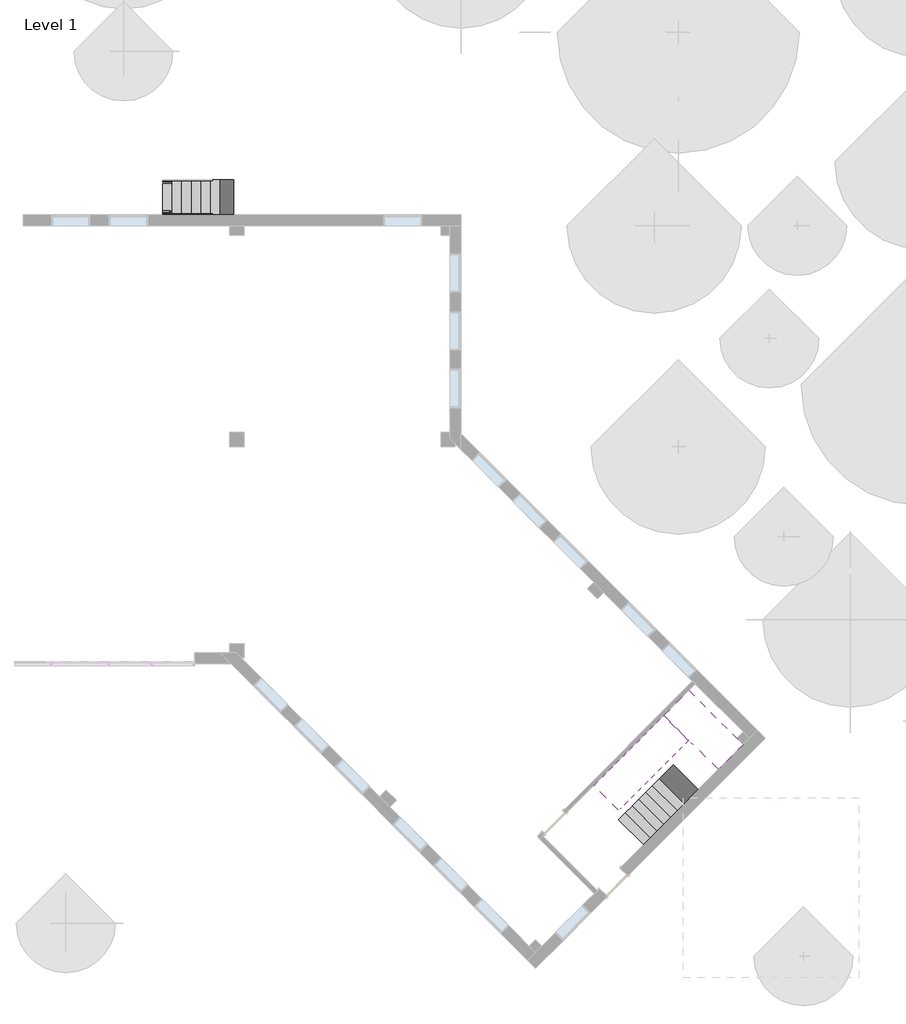
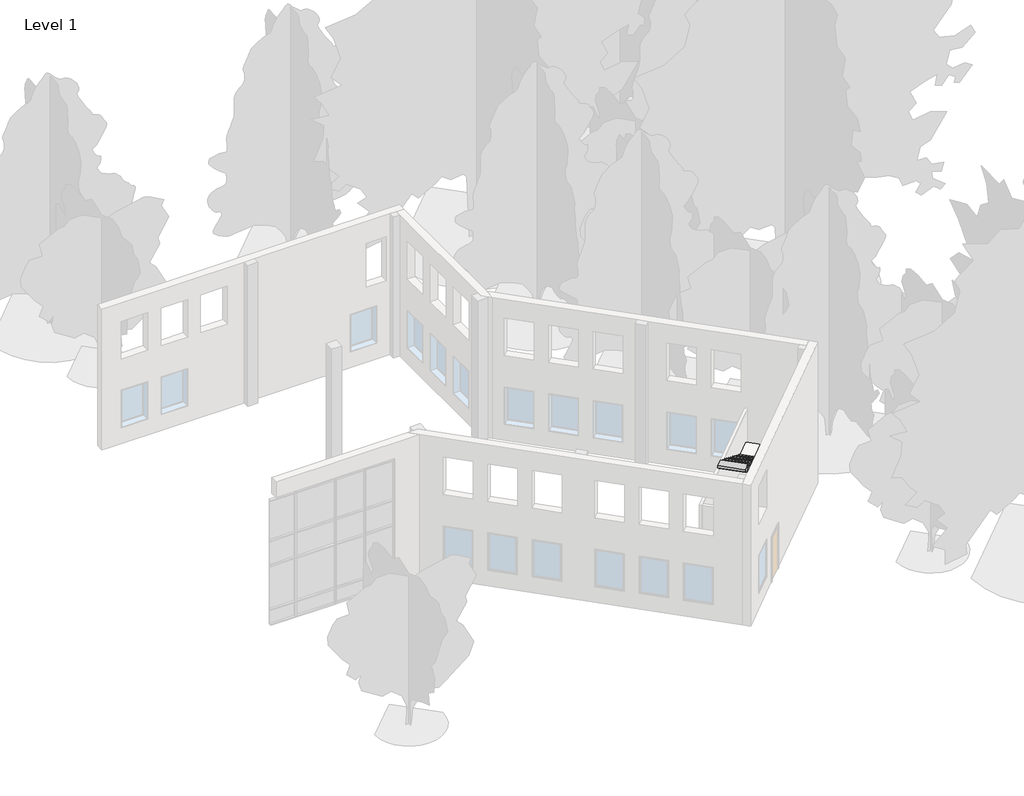
# One storey, part 4 of 5: 3 stair flights, 1 railing, 1 slab.
"""IFC4 building model written with IfcOpenShell, lengths in millimetres."""

from ifc_helpers import new_model, si_unit, frame, origin, place, context, project, spatial, circle_curve, ellipse_curve, faceted_brep, element, save
from ifc_brep_helpers import plane_surface, cylinder_surface, advanced_brep

model = new_model("IFC4")

# Units and contexts
model_context = context("Model", 3, world=origin())
ifc_project = project(units=[si_unit("LENGTHUNIT", "METRE", prefix="MILLI")], contexts=[model_context])

# Site, building, storey
site = spatial("IfcSite", under=ifc_project)
building = spatial("IfcBuilding", under=site)
storey = spatial("IfcBuildingStorey", under=building, Name="Level 1", Elevation=0.0)

# Railing
placement = place(None, origin())
element("IfcRailing", 1, ObjectType="Guardrail - Pipe", at=placement, inside=storey, context=model_context, shape_type="AdvancedBrep", body=[
    advanced_brep(
    [(-8370.1682862, 7606.8165304, 1066.63057), (-8370.1682862, 7644.9165304, 1066.63057), (-1969.3682862, 7606.8165304, 4724.23057), (-1969.3682862, 7644.9165304, 4724.23057)],
    [
        (0, 1, ellipse_curve(frame((-8370.1682862, 7625.8665304, 1066.63057), z_axis=(-1.0, 0.0, 0.0), x_axis=(0.0, 0.0, -0.9999999999999999)), 21.9408586, 19.05)),
        (1, 0, ellipse_curve(frame((-8370.1682862, 7625.8665304, 1066.63057), z_axis=(-1.0, 0.0, 0.0), x_axis=(0.0, 0.0, -0.9999999999999999)), 21.9408586, 19.05)),
        (2, 3, ellipse_curve(frame((-1969.3682862, 7625.8665304, 4724.23057), z_axis=(1.0, 0.0, 0.0), x_axis=(0.0, 0.0, -0.9999999999999999)), 21.9408586, 19.05)),
        (3, 2, ellipse_curve(frame((-1969.3682862, 7625.8665304, 4724.23057), z_axis=(1.0, 0.0, 0.0), x_axis=(0.0, 0.0, -0.9999999999999999)), 21.9408586, 19.05)),
        (0, 2),
        (3, 1),
    ],
    [
        plane_surface(frame((-8370.1682862, 7625.8665304, 1088.5714286), z_axis=(-1.0, 0.0, 0.0), x_axis=(0.0, 1.0, 0.0))),
        plane_surface(frame((-1969.3682862, 7625.8665304, 4746.1714286), z_axis=(1.0, 0.0, 0.0), x_axis=(0.0, 1.0, 0.0))),
        cylinder_surface(frame((-8360.7168394, 7625.8665304, 1072.0313967), z_axis=(-0.8682431421244655, 0.0, -0.49613893835682277), x_axis=(0.0, 1.0, 0.0)), 19.05),
    ],
    [
        (0, [[1, 2]]),
        (1, [[3, 4]]),
        (2, [[-1, 5, -4, 6]]),
        (2, [[-2, -6, -3, -5]]),
    ],
),
    advanced_brep(
    [(-8370.1682862, 7530.6165304, 1219.03057), (-8370.1682862, 7568.7165304, 1219.03057), (-1969.3682862, 7530.6165304, 4876.63057), (-1969.3682862, 7568.7165304, 4876.63057)],
    [
        (0, 1, ellipse_curve(frame((-8370.1682862, 7549.6665304, 1219.03057), z_axis=(-1.0, 0.0, 0.0), x_axis=(0.0, 0.0, -0.9999999999999999)), 21.9408586, 19.05)),
        (1, 0, ellipse_curve(frame((-8370.1682862, 7549.6665304, 1219.03057), z_axis=(-1.0, 0.0, 0.0), x_axis=(0.0, 0.0, -0.9999999999999999)), 21.9408586, 19.05)),
        (2, 3, ellipse_curve(frame((-1969.3682862, 7549.6665304, 4876.63057), z_axis=(1.0, 0.0, 0.0), x_axis=(0.0, 0.0, -0.9999999999999999)), 21.9408586, 19.05)),
        (3, 2, ellipse_curve(frame((-1969.3682862, 7549.6665304, 4876.63057), z_axis=(1.0, 0.0, 0.0), x_axis=(0.0, 0.0, -0.9999999999999999)), 21.9408586, 19.05)),
        (0, 2),
        (3, 1),
    ],
    [
        plane_surface(frame((-8370.1682862, 7549.6665304, 1240.9714286), z_axis=(-1.0, 0.0, 0.0), x_axis=(0.0, 1.0, 0.0))),
        plane_surface(frame((-1969.3682862, 7549.6665304, 4898.5714286), z_axis=(1.0, 0.0, 0.0), x_axis=(0.0, 1.0, 0.0))),
        cylinder_surface(frame((-8360.7168394, 7549.6665304, 1224.4313967), z_axis=(-0.8682431421244655, 0.0, -0.49613893835682277), x_axis=(0.0, 1.0, 0.0)), 19.05),
    ],
    [
        (0, [[1, 2]]),
        (1, [[3, 4]]),
        (2, [[-1, 5, -4, 6]]),
        (2, [[-2, -6, -3, -5]]),
    ],
),
    advanced_brep(
    [(-8370.1682862, 7562.3665304, 1073.9441895), (-8370.1682862, 7536.9665304, 1073.9441895), (-1969.3682862, 7562.3665304, 4731.5441895), (-1969.3682862, 7536.9665304, 4731.5441895)],
    [
        (0, 1, ellipse_curve(frame((-8370.1682862, 7549.6665304, 1073.9441895), z_axis=(-1.0, 0.0, 0.0), x_axis=(0.0, 0.0, -0.9999999999999999)), 14.6272391, 12.7)),
        (1, 0, ellipse_curve(frame((-8370.1682862, 7549.6665304, 1073.9441895), z_axis=(-1.0, 0.0, 0.0), x_axis=(0.0, 0.0, -0.9999999999999999)), 14.6272391, 12.7)),
        (2, 3, ellipse_curve(frame((-1969.3682862, 7549.6665304, 4731.5441895), z_axis=(1.0, 0.0, 0.0), x_axis=(0.0, 0.0, -0.9999999999999999)), 14.6272391, 12.7)),
        (3, 2, ellipse_curve(frame((-1969.3682862, 7549.6665304, 4731.5441895), z_axis=(1.0, 0.0, 0.0), x_axis=(0.0, 0.0, -0.9999999999999999)), 14.6272391, 12.7)),
        (0, 2),
        (3, 1),
    ],
    [
        plane_surface(frame((-8370.1682862, 7549.6665304, 1088.5714286), z_axis=(-1.0, 0.0, 0.0), x_axis=(0.0, 1.0, 0.0))),
        plane_surface(frame((-1969.3682862, 7549.6665304, 4746.1714286), z_axis=(1.0, 0.0, 0.0), x_axis=(0.0, 1.0, 0.0))),
        cylinder_surface(frame((-8363.8673216, 7549.6665304, 1077.5447407), z_axis=(-0.8682431421244655, 0.0, -0.49613893835682277), x_axis=(0.0, -1.0, 0.0)), 12.7),
    ],
    [
        (0, [[1, 2]]),
        (1, [[3, 4]]),
        (2, [[-1, 5, -4, 6]]),
        (2, [[-2, -6, -3, -5]]),
    ],
),
    advanced_brep(
    [(-8370.1682862, 7562.3665304, 946.9441895), (-8370.1682862, 7536.9665304, 946.9441895), (-1969.3682862, 7562.3665304, 4604.5441895), (-1969.3682862, 7536.9665304, 4604.5441895)],
    [
        (0, 1, ellipse_curve(frame((-8370.1682862, 7549.6665304, 946.9441895), z_axis=(-1.0, 0.0, 0.0), x_axis=(0.0, 0.0, -0.9999999999999999)), 14.6272391, 12.7)),
        (1, 0, ellipse_curve(frame((-8370.1682862, 7549.6665304, 946.9441895), z_axis=(-1.0, 0.0, 0.0), x_axis=(0.0, 0.0, -0.9999999999999999)), 14.6272391, 12.7)),
        (2, 3, ellipse_curve(frame((-1969.3682862, 7549.6665304, 4604.5441895), z_axis=(1.0, 0.0, 0.0), x_axis=(0.0, 0.0, -0.9999999999999999)), 14.6272391, 12.7)),
        (3, 2, ellipse_curve(frame((-1969.3682862, 7549.6665304, 4604.5441895), z_axis=(1.0, 0.0, 0.0), x_axis=(0.0, 0.0, -0.9999999999999999)), 14.6272391, 12.7)),
        (0, 2),
        (3, 1),
    ],
    [
        plane_surface(frame((-8370.1682862, 7549.6665304, 961.5714286), z_axis=(-1.0, 0.0, 0.0), x_axis=(0.0, 1.0, 0.0))),
        plane_surface(frame((-1969.3682862, 7549.6665304, 4619.1714286), z_axis=(1.0, 0.0, 0.0), x_axis=(0.0, 1.0, 0.0))),
        cylinder_surface(frame((-8363.8673216, 7549.6665304, 950.5447407), z_axis=(-0.8682431421244655, 0.0, -0.49613893835682277), x_axis=(0.0, -1.0, 0.0)), 12.7),
    ],
    [
        (0, [[1, 2]]),
        (1, [[3, 4]]),
        (2, [[-1, 5, -4, 6]]),
        (2, [[-2, -6, -3, -5]]),
    ],
),
    advanced_brep(
    [(-8370.1682862, 7562.3665304, 819.9441895), (-8370.1682862, 7536.9665304, 819.9441895), (-1969.3682862, 7562.3665304, 4477.5441895), (-1969.3682862, 7536.9665304, 4477.5441895)],
    [
        (0, 1, ellipse_curve(frame((-8370.1682862, 7549.6665304, 819.9441895), z_axis=(-1.0, 0.0, 0.0), x_axis=(0.0, 0.0, -0.9999999999999999)), 14.6272391, 12.7)),
        (1, 0, ellipse_curve(frame((-8370.1682862, 7549.6665304, 819.9441895), z_axis=(-1.0, 0.0, 0.0), x_axis=(0.0, 0.0, -0.9999999999999999)), 14.6272391, 12.7)),
        (2, 3, ellipse_curve(frame((-1969.3682862, 7549.6665304, 4477.5441895), z_axis=(1.0, 0.0, 0.0), x_axis=(0.0, 0.0, -0.9999999999999999)), 14.6272391, 12.7)),
        (3, 2, ellipse_curve(frame((-1969.3682862, 7549.6665304, 4477.5441895), z_axis=(1.0, 0.0, 0.0), x_axis=(0.0, 0.0, -0.9999999999999999)), 14.6272391, 12.7)),
        (0, 2),
        (3, 1),
    ],
    [
        plane_surface(frame((-8370.1682862, 7549.6665304, 834.5714286), z_axis=(-1.0, 0.0, 0.0), x_axis=(0.0, 1.0, 0.0))),
        plane_surface(frame((-1969.3682862, 7549.6665304, 4492.1714286), z_axis=(1.0, 0.0, 0.0), x_axis=(0.0, 1.0, 0.0))),
        cylinder_surface(frame((-8363.8673216, 7549.6665304, 823.5447407), z_axis=(-0.8682431421244655, 0.0, -0.49613893835682277), x_axis=(0.0, -1.0, 0.0)), 12.7),
    ],
    [
        (0, [[1, 2]]),
        (1, [[3, 4]]),
        (2, [[-1, 5, -4, 6]]),
        (2, [[-2, -6, -3, -5]]),
    ],
),
    advanced_brep(
    [(-8370.1682862, 7562.3665304, 692.9441895), (-8370.1682862, 7536.9665304, 692.9441895), (-1969.3682862, 7562.3665304, 4350.5441895), (-1969.3682862, 7536.9665304, 4350.5441895)],
    [
        (0, 1, ellipse_curve(frame((-8370.1682862, 7549.6665304, 692.9441895), z_axis=(-1.0, 0.0, 0.0), x_axis=(0.0, 0.0, -0.9999999999999999)), 14.6272391, 12.7)),
        (1, 0, ellipse_curve(frame((-8370.1682862, 7549.6665304, 692.9441895), z_axis=(-1.0, 0.0, 0.0), x_axis=(0.0, 0.0, -0.9999999999999999)), 14.6272391, 12.7)),
        (2, 3, ellipse_curve(frame((-1969.3682862, 7549.6665304, 4350.5441895), z_axis=(1.0, 0.0, 0.0), x_axis=(0.0, 0.0, -0.9999999999999999)), 14.6272391, 12.7)),
        (3, 2, ellipse_curve(frame((-1969.3682862, 7549.6665304, 4350.5441895), z_axis=(1.0, 0.0, 0.0), x_axis=(0.0, 0.0, -0.9999999999999999)), 14.6272391, 12.7)),
        (0, 2),
        (3, 1),
    ],
    [
        plane_surface(frame((-8370.1682862, 7549.6665304, 707.5714286), z_axis=(-1.0, 0.0, 0.0), x_axis=(0.0, 1.0, 0.0))),
        plane_surface(frame((-1969.3682862, 7549.6665304, 4365.1714286), z_axis=(1.0, 0.0, 0.0), x_axis=(0.0, 1.0, 0.0))),
        cylinder_surface(frame((-8363.8673216, 7549.6665304, 696.5447407), z_axis=(-0.8682431421244655, 0.0, -0.49613893835682277), x_axis=(0.0, -1.0, 0.0)), 12.7),
    ],
    [
        (0, [[1, 2]]),
        (1, [[3, 4]]),
        (2, [[-1, 5, -4, 6]]),
        (2, [[-2, -6, -3, -5]]),
    ],
),
    advanced_brep(
    [(-8370.1682862, 7562.3665304, 565.9441895), (-8370.1682862, 7536.9665304, 565.9441895), (-1969.3682862, 7562.3665304, 4223.5441895), (-1969.3682862, 7536.9665304, 4223.5441895)],
    [
        (0, 1, ellipse_curve(frame((-8370.1682862, 7549.6665304, 565.9441895), z_axis=(-1.0, 0.0, 0.0), x_axis=(0.0, 0.0, -0.9999999999999999)), 14.6272391, 12.7)),
        (1, 0, ellipse_curve(frame((-8370.1682862, 7549.6665304, 565.9441895), z_axis=(-1.0, 0.0, 0.0), x_axis=(0.0, 0.0, -0.9999999999999999)), 14.6272391, 12.7)),
        (2, 3, ellipse_curve(frame((-1969.3682862, 7549.6665304, 4223.5441895), z_axis=(1.0, 0.0, 0.0), x_axis=(0.0, 0.0, -0.9999999999999999)), 14.6272391, 12.7)),
        (3, 2, ellipse_curve(frame((-1969.3682862, 7549.6665304, 4223.5441895), z_axis=(1.0, 0.0, 0.0), x_axis=(0.0, 0.0, -0.9999999999999999)), 14.6272391, 12.7)),
        (0, 2),
        (3, 1),
    ],
    [
        plane_surface(frame((-8370.1682862, 7549.6665304, 580.5714286), z_axis=(-1.0, 0.0, 0.0), x_axis=(0.0, 1.0, 0.0))),
        plane_surface(frame((-1969.3682862, 7549.6665304, 4238.1714286), z_axis=(1.0, 0.0, 0.0), x_axis=(0.0, 1.0, 0.0))),
        cylinder_surface(frame((-8363.8673216, 7549.6665304, 569.5447407), z_axis=(-0.8682431421244655, 0.0, -0.4961389383568229), x_axis=(0.0, -1.0, 0.0)), 12.7),
    ],
    [
        (0, [[1, 2]]),
        (1, [[3, 4]]),
        (2, [[-1, 5, -4, 6]]),
        (2, [[-2, -6, -3, -5]]),
    ],
),
    advanced_brep(
    [(-8370.1682862, 7562.3665304, 438.9441895), (-8370.1682862, 7536.9665304, 438.9441895), (-1969.3682862, 7562.3665304, 4096.5441895), (-1969.3682862, 7536.9665304, 4096.5441895)],
    [
        (0, 1, ellipse_curve(frame((-8370.1682862, 7549.6665304, 438.9441895), z_axis=(-1.0, 0.0, 0.0), x_axis=(0.0, 0.0, -0.9999999999999999)), 14.6272391, 12.7)),
        (1, 0, ellipse_curve(frame((-8370.1682862, 7549.6665304, 438.9441895), z_axis=(-1.0, 0.0, 0.0), x_axis=(0.0, 0.0, -0.9999999999999999)), 14.6272391, 12.7)),
        (2, 3, ellipse_curve(frame((-1969.3682862, 7549.6665304, 4096.5441895), z_axis=(1.0, 0.0, 0.0), x_axis=(0.0, 0.0, -0.9999999999999999)), 14.6272391, 12.7)),
        (3, 2, ellipse_curve(frame((-1969.3682862, 7549.6665304, 4096.5441895), z_axis=(1.0, 0.0, 0.0), x_axis=(0.0, 0.0, -0.9999999999999999)), 14.6272391, 12.7)),
        (0, 2),
        (3, 1),
    ],
    [
        plane_surface(frame((-8370.1682862, 7549.6665304, 453.5714286), z_axis=(-1.0, 0.0, 0.0), x_axis=(0.0, 1.0, 0.0))),
        plane_surface(frame((-1969.3682862, 7549.6665304, 4111.1714286), z_axis=(1.0, 0.0, 0.0), x_axis=(0.0, 1.0, 0.0))),
        cylinder_surface(frame((-8363.8673216, 7549.6665304, 442.5447407), z_axis=(-0.8682431421244655, 0.0, -0.49613893835682277), x_axis=(0.0, -1.0, 0.0)), 12.7),
    ],
    [
        (0, [[1, 2]]),
        (1, [[3, 4]]),
        (2, [[-1, 5, -4, 6]]),
        (2, [[-2, -6, -3, -5]]),
    ],
),
    advanced_brep(
    [(-8370.1682862, 7562.3665304, 311.9441895), (-8370.1682862, 7536.9665304, 311.9441895), (-1969.3682862, 7562.3665304, 3969.5441895), (-1969.3682862, 7536.9665304, 3969.5441895)],
    [
        (0, 1, ellipse_curve(frame((-8370.1682862, 7549.6665304, 311.9441895), z_axis=(-1.0, 0.0, 0.0), x_axis=(0.0, 0.0, -0.9999999999999999)), 14.6272391, 12.7)),
        (1, 0, ellipse_curve(frame((-8370.1682862, 7549.6665304, 311.9441895), z_axis=(-1.0, 0.0, 0.0), x_axis=(0.0, 0.0, -0.9999999999999999)), 14.6272391, 12.7)),
        (2, 3, ellipse_curve(frame((-1969.3682862, 7549.6665304, 3969.5441895), z_axis=(1.0, 0.0, 0.0), x_axis=(0.0, 0.0, -0.9999999999999999)), 14.6272391, 12.7)),
        (3, 2, ellipse_curve(frame((-1969.3682862, 7549.6665304, 3969.5441895), z_axis=(1.0, 0.0, 0.0), x_axis=(0.0, 0.0, -0.9999999999999999)), 14.6272391, 12.7)),
        (0, 2),
        (3, 1),
    ],
    [
        plane_surface(frame((-8370.1682862, 7549.6665304, 326.5714286), z_axis=(-1.0, 0.0, 0.0), x_axis=(0.0, 1.0, 0.0))),
        plane_surface(frame((-1969.3682862, 7549.6665304, 3984.1714286), z_axis=(1.0, 0.0, 0.0), x_axis=(0.0, 1.0, 0.0))),
        cylinder_surface(frame((-8363.8673216, 7549.6665304, 315.5447407), z_axis=(-0.8682431421244655, 0.0, -0.49613893835682277), x_axis=(0.0, -1.0, 0.0)), 12.7),
    ],
    [
        (0, [[1, 2]]),
        (1, [[3, 4]]),
        (2, [[-1, 5, -4, 6]]),
        (2, [[-2, -6, -3, -5]]),
    ],
),
    advanced_brep(
    [(-2274.1682862, 7536.9665304, 4680.5182828), (-2274.1682862, 7536.9665304, 3657.6), (-2274.1682862, 7562.3665304, 3657.6), (-2274.1682862, 7562.3665304, 4680.5182828)],
    [
        (0, 1),
        (1, 2, circle_curve(frame((-2274.1682862, 7549.6665304, 3657.6), z_axis=(0.0, 0.0, 1.0), x_axis=(0.0, 1.0, 0.0)), 12.7)),
        (2, 3),
        (3, 0, ellipse_curve(frame((-2274.1682862, 7549.6665304, 4680.5182828), z_axis=(0.49613893835682027, 0.0, -0.868243142124467), x_axis=(0.868243142124467, 0.0, 0.49613893835682005)), 14.6272391, 12.7)),
        (0, 3, ellipse_curve(frame((-2274.1682862, 7549.6665304, 4680.5182828), z_axis=(0.49613893835682027, 0.0, -0.868243142124467), x_axis=(0.868243142124467, 0.0, 0.49613893835682005)), 14.6272391, 12.7)),
        (2, 1, circle_curve(frame((-2274.1682862, 7549.6665304, 3657.6), z_axis=(0.0, 0.0, 1.0), x_axis=(0.0, 1.0, 0.0)), 12.7)),
    ],
    [
        cylinder_surface(frame((-2274.1682862, 7549.6665304, 3429.0), z_axis=(0.0, 0.0, 1.0), x_axis=(0.0, 1.0, 0.0)), 12.7),
        plane_surface(frame((-2248.7682862, 7575.0665304, 4695.0325685), z_axis=(-0.49613893835682027, 0.0, 0.868243142124467), x_axis=(0.0, -1.0, 0.0))),
        plane_surface(frame((-2299.5682862, 7575.0665304, 3657.6), z_axis=(0.0, 0.0, -1.0), x_axis=(0.0, -1.0, 0.0))),
    ],
    [
        (0, [[1, 2, 3, 4]]),
        (0, [[-1, 5, -3, 6]]),
        (1, [[-4, -5]]),
        (2, [[-2, -6]]),
    ],
),
    advanced_brep(
    [(-3493.3682862, 7536.9665304, 3983.8325685), (-3493.3682862, 7536.9665304, 2960.9142857), (-3493.3682862, 7562.3665304, 2960.9142857), (-3493.3682862, 7562.3665304, 3983.8325685)],
    [
        (0, 1),
        (1, 2, circle_curve(frame((-3493.3682862, 7549.6665304, 2960.9142857), z_axis=(0.0, 0.0, 1.0), x_axis=(0.0, 1.0, 0.0)), 12.7)),
        (2, 3),
        (3, 0, ellipse_curve(frame((-3493.3682862, 7549.6665304, 3983.8325685), z_axis=(0.49613893835682027, 0.0, -0.868243142124467), x_axis=(0.868243142124467, 0.0, 0.49613893835682005)), 14.6272391, 12.7)),
        (0, 3, ellipse_curve(frame((-3493.3682862, 7549.6665304, 3983.8325685), z_axis=(0.49613893835682027, 0.0, -0.868243142124467), x_axis=(0.868243142124467, 0.0, 0.49613893835682005)), 14.6272391, 12.7)),
        (2, 1, circle_curve(frame((-3493.3682862, 7549.6665304, 2960.9142857), z_axis=(0.0, 0.0, 1.0), x_axis=(0.0, 1.0, 0.0)), 12.7)),
    ],
    [
        cylinder_surface(frame((-3493.3682862, 7549.6665304, 2732.3142857), z_axis=(0.0, 0.0, 1.0), x_axis=(0.0, 1.0, 0.0)), 12.7),
        plane_surface(frame((-3467.9682862, 7575.0665304, 3998.3468543), z_axis=(-0.49613893835682027, 0.0, 0.868243142124467), x_axis=(0.0, -1.0, 0.0))),
        plane_surface(frame((-3518.7682862, 7575.0665304, 2960.9142857), z_axis=(0.0, 0.0, -1.0), x_axis=(0.0, -1.0, 0.0))),
    ],
    [
        (0, [[1, 2, 3, 4]]),
        (0, [[-1, 5, -3, 6]]),
        (1, [[-4, -5]]),
        (2, [[-2, -6]]),
    ],
),
    advanced_brep(
    [(-4712.5682862, 7536.9665304, 3287.1468543), (-4712.5682862, 7536.9665304, 2264.2285714), (-4712.5682862, 7562.3665304, 2264.2285714), (-4712.5682862, 7562.3665304, 3287.1468543)],
    [
        (0, 1),
        (1, 2, circle_curve(frame((-4712.5682862, 7549.6665304, 2264.2285714), z_axis=(0.0, 0.0, 1.0), x_axis=(0.0, 1.0, 0.0)), 12.7)),
        (2, 3),
        (3, 0, ellipse_curve(frame((-4712.5682862, 7549.6665304, 3287.1468543), z_axis=(0.49613893835682027, 0.0, -0.868243142124467), x_axis=(0.868243142124467, 0.0, 0.49613893835682005)), 14.6272391, 12.7)),
        (0, 3, ellipse_curve(frame((-4712.5682862, 7549.6665304, 3287.1468543), z_axis=(0.49613893835682027, 0.0, -0.868243142124467), x_axis=(0.868243142124467, 0.0, 0.49613893835682005)), 14.6272391, 12.7)),
        (2, 1, circle_curve(frame((-4712.5682862, 7549.6665304, 2264.2285714), z_axis=(0.0, 0.0, 1.0), x_axis=(0.0, 1.0, 0.0)), 12.7)),
    ],
    [
        cylinder_surface(frame((-4712.5682862, 7549.6665304, 2035.6285714), z_axis=(0.0, 0.0, 1.0), x_axis=(0.0, 1.0, 0.0)), 12.7),
        plane_surface(frame((-4687.1682862, 7575.0665304, 3301.66114), z_axis=(-0.49613893835682027, 0.0, 0.868243142124467), x_axis=(0.0, -1.0, 0.0))),
        plane_surface(frame((-4737.9682862, 7575.0665304, 2264.2285714), z_axis=(0.0, 0.0, -1.0), x_axis=(0.0, -1.0, 0.0))),
    ],
    [
        (0, [[1, 2, 3, 4]]),
        (0, [[-1, 5, -3, 6]]),
        (1, [[-4, -5]]),
        (2, [[-2, -6]]),
    ],
),
    advanced_brep(
    [(-5931.7682862, 7536.9665304, 2590.46114), (-5931.7682862, 7536.9665304, 1567.5428571), (-5931.7682862, 7562.3665304, 1567.5428571), (-5931.7682862, 7562.3665304, 2590.46114)],
    [
        (0, 1),
        (1, 2, circle_curve(frame((-5931.7682862, 7549.6665304, 1567.5428571), z_axis=(0.0, 0.0, 1.0), x_axis=(0.0, 1.0, 0.0)), 12.7)),
        (2, 3),
        (3, 0, ellipse_curve(frame((-5931.7682862, 7549.6665304, 2590.46114), z_axis=(0.49613893835682027, 0.0, -0.868243142124467), x_axis=(0.868243142124467, 0.0, 0.49613893835682005)), 14.6272391, 12.7)),
        (0, 3, ellipse_curve(frame((-5931.7682862, 7549.6665304, 2590.46114), z_axis=(0.49613893835682027, 0.0, -0.868243142124467), x_axis=(0.868243142124467, 0.0, 0.49613893835682005)), 14.6272391, 12.7)),
        (2, 1, circle_curve(frame((-5931.7682862, 7549.6665304, 1567.5428571), z_axis=(0.0, 0.0, 1.0), x_axis=(0.0, 1.0, 0.0)), 12.7)),
    ],
    [
        cylinder_surface(frame((-5931.7682862, 7549.6665304, 1338.9428571), z_axis=(0.0, 0.0, 1.0), x_axis=(0.0, 1.0, 0.0)), 12.7),
        plane_surface(frame((-5906.3682862, 7575.0665304, 2604.9754257), z_axis=(-0.49613893835682027, 0.0, 0.868243142124467), x_axis=(0.0, -1.0, 0.0))),
        plane_surface(frame((-5957.1682862, 7575.0665304, 1567.5428571), z_axis=(0.0, 0.0, -1.0), x_axis=(0.0, -1.0, 0.0))),
    ],
    [
        (0, [[1, 2, 3, 4]]),
        (0, [[-1, 5, -3, 6]]),
        (1, [[-4, -5]]),
        (2, [[-2, -6]]),
    ],
),
    advanced_brep(
    [(-7150.9682862, 7536.9665304, 1893.7754257), (-7150.9682862, 7536.9665304, 870.8571429), (-7150.9682862, 7562.3665304, 870.8571429), (-7150.9682862, 7562.3665304, 1893.7754257)],
    [
        (0, 1),
        (1, 2, circle_curve(frame((-7150.9682862, 7549.6665304, 870.8571429), z_axis=(0.0, 0.0, 1.0), x_axis=(0.0, 1.0, 0.0)), 12.7)),
        (2, 3),
        (3, 0, ellipse_curve(frame((-7150.9682862, 7549.6665304, 1893.7754257), z_axis=(0.49613893835682027, 0.0, -0.868243142124467), x_axis=(0.868243142124467, 0.0, 0.49613893835682005)), 14.6272391, 12.7)),
        (0, 3, ellipse_curve(frame((-7150.9682862, 7549.6665304, 1893.7754257), z_axis=(0.49613893835682027, 0.0, -0.868243142124467), x_axis=(0.868243142124467, 0.0, 0.49613893835682005)), 14.6272391, 12.7)),
        (2, 1, circle_curve(frame((-7150.9682862, 7549.6665304, 870.8571429), z_axis=(0.0, 0.0, 1.0), x_axis=(0.0, 1.0, 0.0)), 12.7)),
    ],
    [
        cylinder_surface(frame((-7150.9682862, 7549.6665304, 642.2571429), z_axis=(0.0, 0.0, 1.0), x_axis=(0.0, 1.0, 0.0)), 12.7),
        plane_surface(frame((-7125.5682862, 7575.0665304, 1908.2897114), z_axis=(-0.49613893835682027, 0.0, 0.868243142124467), x_axis=(0.0, -1.0, 0.0))),
        plane_surface(frame((-7176.3682862, 7575.0665304, 870.8571429), z_axis=(0.0, 0.0, -1.0), x_axis=(0.0, -1.0, 0.0))),
    ],
    [
        (0, [[1, 2, 3, 4]]),
        (0, [[-1, 5, -3, 6]]),
        (1, [[-4, -5]]),
        (2, [[-2, -6]]),
    ],
),
    advanced_brep(
    [(-1982.0682862, 7536.9665304, 4847.4325685), (-1982.0682862, 7536.9665304, 3657.6), (-1982.0682862, 7562.3665304, 3657.6), (-1982.0682862, 7562.3665304, 4847.4325685)],
    [
        (0, 1),
        (1, 2, circle_curve(frame((-1982.0682862, 7549.6665304, 3657.6), z_axis=(0.0, 0.0, 1.0), x_axis=(0.0, 1.0, 0.0)), 12.7)),
        (2, 3),
        (3, 0, ellipse_curve(frame((-1982.0682862, 7549.6665304, 4847.4325685), z_axis=(0.496138938356822, 0.0, -0.868243142124466), x_axis=(0.8682431421244661, 0.0, 0.496138938356822)), 14.6272391, 12.7)),
        (0, 3, ellipse_curve(frame((-1982.0682862, 7549.6665304, 4847.4325685), z_axis=(0.496138938356822, 0.0, -0.868243142124466), x_axis=(0.8682431421244661, 0.0, 0.496138938356822)), 14.6272391, 12.7)),
        (2, 1, circle_curve(frame((-1982.0682862, 7549.6665304, 3657.6), z_axis=(0.0, 0.0, 1.0), x_axis=(0.0, 1.0, 0.0)), 12.7)),
    ],
    [
        cylinder_surface(frame((-1982.0682862, 7549.6665304, 3429.0), z_axis=(0.0, 0.0, 1.0), x_axis=(0.0, 1.0, 0.0)), 12.7),
        plane_surface(frame((-1956.6682862, 7575.0665304, 4861.9468543), z_axis=(-0.496138938356822, 0.0, 0.868243142124466), x_axis=(0.0, -1.0, 0.0))),
        plane_surface(frame((-2007.4682862, 7575.0665304, 3657.6), z_axis=(0.0, 0.0, -1.0), x_axis=(0.0, -1.0, 0.0))),
    ],
    [
        (0, [[1, 2, 3, 4]]),
        (0, [[-1, 5, -3, 6]]),
        (1, [[-4, -5]]),
        (2, [[-2, -6]]),
    ],
),
    advanced_brep(
    [(-8357.4682862, 7536.9665304, 1204.3468543), (-8357.4682862, 7536.9665304, 174.1714286), (-8357.4682862, 7562.3665304, 174.1714286), (-8357.4682862, 7562.3665304, 1204.3468543)],
    [
        (0, 1),
        (1, 2, circle_curve(frame((-8357.4682862, 7549.6665304, 174.1714286), z_axis=(0.0, 0.0, 1.0), x_axis=(0.0, 1.0, 0.0)), 12.7)),
        (2, 3),
        (3, 0, ellipse_curve(frame((-8357.4682862, 7549.6665304, 1204.3468543), z_axis=(0.49613893835682027, 0.0, -0.868243142124467), x_axis=(0.868243142124467, 0.0, 0.49613893835682005)), 14.6272391, 12.7)),
        (0, 3, ellipse_curve(frame((-8357.4682862, 7549.6665304, 1204.3468543), z_axis=(0.49613893835682027, 0.0, -0.868243142124467), x_axis=(0.868243142124467, 0.0, 0.49613893835682005)), 14.6272391, 12.7)),
        (2, 1, circle_curve(frame((-8357.4682862, 7549.6665304, 174.1714286), z_axis=(0.0, 0.0, 1.0), x_axis=(0.0, 1.0, 0.0)), 12.7)),
    ],
    [
        cylinder_surface(frame((-8357.4682862, 7549.6665304, -54.4285714), z_axis=(0.0, 0.0, 1.0), x_axis=(0.0, 1.0, 0.0)), 12.7),
        plane_surface(frame((-8332.0682862, 7575.0665304, 1218.86114), z_axis=(-0.49613893835682027, 0.0, 0.868243142124467), x_axis=(0.0, -1.0, 0.0))),
        plane_surface(frame((-8382.8682862, 7575.0665304, 174.1714286), z_axis=(0.0, 0.0, -1.0), x_axis=(0.0, -1.0, 0.0))),
    ],
    [
        (0, [[1, 2, 3, 4]]),
        (0, [[-1, 5, -3, 6]]),
        (1, [[-4, -5]]),
        (2, [[-2, -6]]),
    ],
),
])

# Slab
element("IfcSlab", 2, ObjectType="8\" Thickness", at=placement, inside=storey, context=model_context, shape_type="Brep", body=[
    faceted_brep([(10052.9263481, -9286.9548242, 1915.8857143), (8328.7171729, -7562.7456489, 1915.8857143), (7538.4546342, -8353.0081876, 1915.8857143), (7524.98425, -8366.4785718, 1915.8857143), (8315.2467887, -9156.7411104, 1915.8857143), (8328.7171729, -9143.2707262, 1915.8857143), (8471.2787388, -9285.8322922, 1915.8857143), (8549.8559798, -9207.2550511, 1915.8857143), (9341.2410505, -9998.6401218, 1915.8857143), (8328.7171729, -7562.7456489, 1712.6857143), (7538.4546342, -8353.0081876, 1712.6857143), (7524.98425, -8366.4785718, 1712.6857143), (8315.2467887, -9156.7411104, 1712.6857143), (8328.7171729, -9143.2707262, 1712.6857143), (8471.2787388, -9285.8322922, 1712.6857143), (10052.9263481, -9286.9548242, 1712.6857143), (9341.2410505, -9998.6401218, 1804.7607143), (9269.3990015, -10070.4821707, 1804.7607143), (9269.3990015, -10070.4821707, 1712.6857143), (8478.0139309, -9279.0971001, 1712.6857143), (8549.8559798, -9207.2550511, 1804.7607143), (8478.0139309, -9279.0971001, 1804.7607143)], [[[0, 1, 2, 3, 4, 5, 6, 7, 8]], [[2, 1, 9, 10]], [[4, 3, 11, 12]], [[3, 2, 10, 11]], [[5, 13, 14, 6]], [[15, 0, 8, 16, 17, 18]], [[9, 15, 18, 19, 14, 13, 12, 11, 10]], [[1, 0, 15, 9]], [[5, 4, 12, 13]], [[20, 21, 17, 16]], [[7, 20, 16, 8]], [[20, 7, 6, 14, 19, 21]], [[17, 21, 19, 18]]]),
])

# Stair flights
element("IfcStairFlight", 3, ObjectType="3/4\" Nosing", at=placement, inside=storey, context=model_context, shape_type="Brep", body=[
    faceted_brep([(-8370.1682862, 7524.2665304, 174.1714286), (-8370.1682862, 8641.8665304, 174.1714286), (-8351.1182862, 8641.8665304, 0.0), (-8351.1182862, 7524.2665304, 0.0), (-8046.3182862, 7524.2665304, 174.1714286), (-8046.3182862, 8641.8665304, 174.1714286), (-8046.3182862, 8641.8665304, 101.0352333), (-8223.1299444, 8641.8665304, 0.0), (-8223.1299444, 7524.2665304, 0.0), (-8046.3182862, 7524.2665304, 101.0352333), (-8065.3682862, 8641.8665304, 348.3428571), (-8065.3682862, 7524.2665304, 348.3428571), (-7741.5182862, 7524.2665304, 348.3428571), (-7741.5182862, 8641.8665304, 348.3428571), (-7741.5182862, 8641.8665304, 275.2066619), (-7741.5182862, 7524.2665304, 275.2066619), (-7760.5682862, 8641.8665304, 522.5142857), (-7760.5682862, 7524.2665304, 522.5142857), (-7436.7182862, 7524.2665304, 522.5142857), (-7436.7182862, 8641.8665304, 522.5142857), (-7436.7182862, 8641.8665304, 449.3780904), (-7436.7182862, 7524.2665304, 449.3780904), (-7455.7682862, 8641.8665304, 696.6857143), (-7455.7682862, 7524.2665304, 696.6857143), (-7131.9182862, 7524.2665304, 696.6857143), (-7131.9182862, 8641.8665304, 696.6857143), (-7131.9182862, 8641.8665304, 623.549519), (-7131.9182862, 7524.2665304, 623.549519), (-7150.9682862, 8641.8665304, 870.8571429), (-7150.9682862, 7524.2665304, 870.8571429), (-6827.1182862, 7524.2665304, 870.8571429), (-6827.1182862, 8641.8665304, 870.8571429), (-6827.1182862, 8641.8665304, 797.7209476), (-6827.1182862, 7524.2665304, 797.7209476), (-6846.1682862, 8641.8665304, 1045.0285714), (-6846.1682862, 7524.2665304, 1045.0285714), (-6522.3182862, 7524.2665304, 1045.0285714), (-6522.3182862, 8641.8665304, 1045.0285714), (-6522.3182862, 8641.8665304, 971.8923761), (-6522.3182862, 7524.2665304, 971.8923761), (-6541.3682862, 8641.8665304, 1219.2), (-6541.3682862, 7524.2665304, 1219.2), (-6217.5182862, 7524.2665304, 1219.2), (-6217.5182862, 8641.8665304, 1219.2), (-6217.5182862, 8641.8665304, 1146.0638047), (-6217.5182862, 7524.2665304, 1146.0638047), (-6236.5682862, 8641.8665304, 1393.3714286), (-6236.5682862, 7524.2665304, 1393.3714286), (-5912.7182862, 7524.2665304, 1393.3714286), (-5912.7182862, 8641.8665304, 1393.3714286), (-5912.7182862, 8641.8665304, 1320.2352333), (-5912.7182862, 7524.2665304, 1320.2352333), (-5931.7682862, 8641.8665304, 1567.5428571), (-5931.7682862, 7524.2665304, 1567.5428571), (-5607.9182862, 7524.2665304, 1567.5428571), (-5607.9182862, 8641.8665304, 1567.5428571), (-5607.9182862, 8641.8665304, 1494.4066619), (-5607.9182862, 7524.2665304, 1494.4066619), (-5626.9682862, 8641.8665304, 1741.7142857), (-5626.9682862, 7524.2665304, 1741.7142857), (-5303.1182862, 7524.2665304, 1741.7142857), (-5303.1182862, 8641.8665304, 1741.7142857), (-5303.1182862, 8641.8665304, 1668.5780904), (-5303.1182862, 7524.2665304, 1668.5780904), (-5322.1682862, 8641.8665304, 1915.8857143), (-5322.1682862, 7524.2665304, 1915.8857143), (-4998.3182862, 7524.2665304, 1915.8857143), (-4998.3182862, 8641.8665304, 1915.8857143), (-4998.3182862, 8641.8665304, 1842.749519), (-4998.3182862, 7524.2665304, 1842.749519), (-5017.3682862, 8641.8665304, 2090.0571429), (-5017.3682862, 7524.2665304, 2090.0571429), (-4693.5182862, 7524.2665304, 2090.0571429), (-4693.5182862, 8641.8665304, 2090.0571429), (-4693.5182862, 8641.8665304, 2016.9209476), (-4693.5182862, 7524.2665304, 2016.9209476), (-4712.5682862, 8641.8665304, 2264.2285714), (-4712.5682862, 7524.2665304, 2264.2285714), (-4388.7182862, 7524.2665304, 2264.2285714), (-4388.7182862, 8641.8665304, 2264.2285714), (-4388.7182862, 8641.8665304, 2191.0923761), (-4388.7182862, 7524.2665304, 2191.0923761), (-4407.7682862, 8641.8665304, 2438.4), (-4407.7682862, 7524.2665304, 2438.4), (-4083.9182862, 7524.2665304, 2438.4), (-4083.9182862, 8641.8665304, 2438.4), (-4083.9182862, 8641.8665304, 2365.2638047), (-4083.9182862, 7524.2665304, 2365.2638047), (-4102.9682862, 8641.8665304, 2612.5714286), (-4102.9682862, 7524.2665304, 2612.5714286), (-3779.1182862, 7524.2665304, 2612.5714286), (-3779.1182862, 8641.8665304, 2612.5714286), (-3779.1182862, 8641.8665304, 2539.4352333), (-3779.1182862, 7524.2665304, 2539.4352333), (-3798.1682862, 8641.8665304, 2786.7428571), (-3798.1682862, 7524.2665304, 2786.7428571), (-3474.3182862, 7524.2665304, 2786.7428571), (-3474.3182862, 8641.8665304, 2786.7428571), (-3474.3182862, 8641.8665304, 2713.6066619), (-3474.3182862, 7524.2665304, 2713.6066619), (-3493.3682862, 8641.8665304, 2960.9142857), (-3493.3682862, 7524.2665304, 2960.9142857), (-3169.5182862, 7524.2665304, 2960.9142857), (-3169.5182862, 8641.8665304, 2960.9142857), (-3169.5182862, 8641.8665304, 2887.7780904), (-3169.5182862, 7524.2665304, 2887.7780904), (-3188.5682862, 8641.8665304, 3135.0857143), (-3188.5682862, 7524.2665304, 3135.0857143), (-2864.7182862, 7524.2665304, 3135.0857143), (-2864.7182862, 8641.8665304, 3135.0857143), (-2864.7182862, 8641.8665304, 3061.949519), (-2864.7182862, 7524.2665304, 3061.949519), (-2883.7682862, 8641.8665304, 3309.2571429), (-2883.7682862, 7524.2665304, 3309.2571429), (-2559.9182862, 7524.2665304, 3309.2571429), (-2559.9182862, 8641.8665304, 3309.2571429), (-2559.9182862, 8641.8665304, 3236.1209476), (-2559.9182862, 7524.2665304, 3236.1209476), (-2578.9682862, 8641.8665304, 3483.4285714), (-2578.9682862, 7524.2665304, 3483.4285714), (-2255.1182862, 7524.2665304, 3483.4285714), (-2255.1182862, 8641.8665304, 3483.4285714), (-2255.1182862, 8641.8665304, 3410.2923761), (-2255.1182862, 7524.2665304, 3410.2923761), (-2274.1682862, 8641.8665304, 3657.6), (-2274.1682862, 7524.2665304, 3657.6), (-1969.3682862, 7524.2665304, 3657.6), (-1969.3682862, 8641.8665304, 3657.6), (-1969.3682862, 8641.8665304, 3573.5780904), (-1969.3682862, 7524.2665304, 3573.5780904)], [[[0, 1, 2, 3]], [[1, 0, 4, 5]], [[1, 5, 6, 7, 2]], [[4, 0, 3, 8, 9]], [[10, 11, 12, 13]], [[10, 13, 14, 6, 5]], [[12, 11, 4, 9, 15]], [[5, 4, 11, 10]], [[16, 17, 18, 19]], [[16, 19, 20, 14, 13]], [[18, 17, 12, 15, 21]], [[13, 12, 17, 16]], [[22, 23, 24, 25]], [[22, 25, 26, 20, 19]], [[24, 23, 18, 21, 27]], [[19, 18, 23, 22]], [[28, 29, 30, 31]], [[28, 31, 32, 26, 25]], [[30, 29, 24, 27, 33]], [[25, 24, 29, 28]], [[34, 35, 36, 37]], [[34, 37, 38, 32, 31]], [[36, 35, 30, 33, 39]], [[31, 30, 35, 34]], [[40, 41, 42, 43]], [[40, 43, 44, 38, 37]], [[42, 41, 36, 39, 45]], [[37, 36, 41, 40]], [[46, 47, 48, 49]], [[46, 49, 50, 44, 43]], [[48, 47, 42, 45, 51]], [[43, 42, 47, 46]], [[52, 53, 54, 55]], [[52, 55, 56, 50, 49]], [[54, 53, 48, 51, 57]], [[49, 48, 53, 52]], [[58, 59, 60, 61]], [[58, 61, 62, 56, 55]], [[60, 59, 54, 57, 63]], [[55, 54, 59, 58]], [[64, 65, 66, 67]], [[64, 67, 68, 62, 61]], [[66, 65, 60, 63, 69]], [[61, 60, 65, 64]], [[70, 71, 72, 73]], [[70, 73, 74, 68, 67]], [[72, 71, 66, 69, 75]], [[67, 66, 71, 70]], [[76, 77, 78, 79]], [[76, 79, 80, 74, 73]], [[78, 77, 72, 75, 81]], [[73, 72, 77, 76]], [[82, 83, 84, 85]], [[82, 85, 86, 80, 79]], [[84, 83, 78, 81, 87]], [[79, 78, 83, 82]], [[88, 89, 90, 91]], [[88, 91, 92, 86, 85]], [[90, 89, 84, 87, 93]], [[85, 84, 89, 88]], [[94, 95, 96, 97]], [[94, 97, 98, 92, 91]], [[96, 95, 90, 93, 99]], [[91, 90, 95, 94]], [[100, 101, 102, 103]], [[100, 103, 104, 98, 97]], [[102, 101, 96, 99, 105]], [[97, 96, 101, 100]], [[106, 107, 108, 109]], [[106, 109, 110, 104, 103]], [[108, 107, 102, 105, 111]], [[103, 102, 107, 106]], [[112, 113, 114, 115]], [[112, 115, 116, 110, 109]], [[114, 113, 108, 111, 117]], [[109, 108, 113, 112]], [[118, 119, 120, 121]], [[118, 121, 122, 116, 115]], [[120, 119, 114, 117, 123]], [[115, 114, 119, 118]], [[124, 125, 126, 127]], [[124, 127, 128, 122, 121]], [[126, 125, 120, 123, 129]], [[127, 126, 129, 128]], [[121, 120, 125, 124]], [[3, 2, 7, 8]], [[8, 7, 6, 14, 20, 26, 32, 38, 44, 50, 56, 62, 68, 74, 80, 86, 92, 98, 104, 110, 116, 122, 128, 129, 123, 117, 111, 105, 99, 93, 87, 81, 75, 69, 63, 57, 51, 45, 39, 33, 27, 21, 15, 9]]]),
])
element("IfcStairFlight", 4, ObjectType="3/4\" Nosing 6 1/2\" Depth", at=placement, inside=storey, context=model_context, shape_type="Brep", body=[
    faceted_brep([(7538.4546342, -8353.0081876, 2090.0571429), (8328.7171729, -9143.2707262, 2090.0571429), (8315.2467887, -9156.7411104, 1915.8857143), (7524.98425, -8366.4785718, 1915.8857143), (7309.4581031, -8582.0047187, 2090.0571429), (8099.7206418, -9372.2672573, 2090.0571429), (8099.7206418, -9372.2672573, 1899.9030351), (8315.2467887, -9156.7411104, 1725.7316065), (7524.98425, -8366.4785718, 1725.7316065), (7309.4581031, -8582.0047187, 1899.9030351), (8113.191026, -9358.7968732, 2264.2285714), (7322.9284873, -8568.5343345, 2264.2285714), (7093.9319562, -8797.5308656, 2264.2285714), (7884.1944949, -9587.7934042, 2264.2285714), (7884.1944949, -9587.7934042, 2074.0744637), (7093.9319562, -8797.5308656, 2074.0744637), (7897.6648791, -9574.3230201, 2438.4), (7107.4023404, -8784.0604814, 2438.4), (6878.4058093, -9013.0570125, 2438.4), (7668.668348, -9803.3195511, 2438.4), (7668.668348, -9803.3195511, 2248.2458923), (6878.4058093, -9013.0570125, 2248.2458923), (7682.1387322, -9789.849167, 2612.5714286), (6891.8761935, -8999.5866283, 2612.5714286), (6662.8796624, -9228.5831594, 2612.5714286), (7453.1422011, -10018.8456981, 2612.5714286), (7453.1422011, -10018.8456981, 2422.4173208), (6662.8796624, -9228.5831594, 2422.4173208), (7466.6125852, -10005.3753139, 2786.7428571), (6676.3500466, -9215.1127752, 2786.7428571), (6447.3535155, -9444.1093063, 2786.7428571), (7237.6160542, -10234.371845, 2786.7428571), (7237.6160542, -10234.371845, 2596.5887494), (6447.3535155, -9444.1093063, 2596.5887494), (7251.0864383, -10220.9014608, 2960.9142857), (6460.8238997, -9430.6389221, 2960.9142857), (6231.8273686, -9659.6354532, 2960.9142857), (7022.0899073, -10449.8979919, 2960.9142857), (7022.0899073, -10449.8979919, 2770.760178), (6231.8273686, -9659.6354532, 2770.760178), (7035.5602914, -10436.4276077, 3135.0857143), (6245.2977528, -9646.165069, 3135.0857143), (6016.3012217, -9875.1616001, 3135.0857143), (6806.5637603, -10665.4241388, 3135.0857143), (6806.5637603, -10665.4241388, 2944.9316065), (6016.3012217, -9875.1616001, 2944.9316065), (6820.0341445, -10651.9537546, 3309.2571429), (6029.7716059, -9861.6912159, 3309.2571429), (5800.7750748, -10090.687747, 3309.2571429), (6591.0376134, -10880.9502857, 3309.2571429), (6591.0376134, -10880.9502857, 3119.1030351), (5800.7750748, -10090.687747, 3119.1030351), (6604.5079976, -10867.4799015, 3483.4285714), (5814.245459, -10077.2173628, 3483.4285714), (5585.2489279, -10306.2138939, 3483.4285714), (6375.5114665, -11096.4764326, 3483.4285714), (6375.5114665, -11096.4764326, 3293.2744637), (5585.2489279, -10306.2138939, 3293.2744637), (6388.9818507, -11083.0060484, 3657.6), (5598.7193121, -10292.7435097, 3657.6), (5311.3511162, -10580.1117056, 3657.6), (6101.6136548, -11370.3742443, 3657.6), (6101.6136548, -11370.3742443, 3556.0), (6173.4557038, -11298.5321953, 3556.0), (6173.4557038, -11298.5321953, 3456.560178), (5383.1931652, -10508.2696567, 3456.560178), (5383.1931652, -10508.2696567, 3556.0), (5311.3511162, -10580.1117056, 3556.0)], [[[0, 1, 2, 3]], [[1, 0, 4, 5]], [[1, 5, 6, 7, 2]], [[3, 2, 7, 8]], [[4, 0, 3, 8, 9]], [[10, 11, 12, 13]], [[10, 13, 14, 6, 5]], [[12, 11, 4, 9, 15]], [[11, 10, 5, 4]], [[16, 17, 18, 19]], [[16, 19, 20, 14, 13]], [[18, 17, 12, 15, 21]], [[17, 16, 13, 12]], [[22, 23, 24, 25]], [[22, 25, 26, 20, 19]], [[24, 23, 18, 21, 27]], [[23, 22, 19, 18]], [[28, 29, 30, 31]], [[28, 31, 32, 26, 25]], [[30, 29, 24, 27, 33]], [[29, 28, 25, 24]], [[34, 35, 36, 37]], [[34, 37, 38, 32, 31]], [[36, 35, 30, 33, 39]], [[35, 34, 31, 30]], [[40, 41, 42, 43]], [[40, 43, 44, 38, 37]], [[42, 41, 36, 39, 45]], [[41, 40, 37, 36]], [[46, 47, 48, 49]], [[46, 49, 50, 44, 43]], [[48, 47, 42, 45, 51]], [[47, 46, 43, 42]], [[52, 53, 54, 55]], [[52, 55, 56, 50, 49]], [[54, 53, 48, 51, 57]], [[53, 52, 49, 48]], [[58, 59, 60, 61]], [[58, 61, 62, 63, 64, 56, 55]], [[60, 59, 54, 57, 65, 66, 67]], [[65, 64, 63, 66]], [[59, 58, 55, 54]], [[67, 66, 63, 62]], [[67, 62, 61, 60]], [[7, 6, 14, 20, 26, 32, 38, 44, 50, 56, 64, 65, 57, 51, 45, 39, 33, 27, 21, 15, 9, 8]]]),
])
element("IfcStairFlight", 5, ObjectType="3/4\" Nosing 6 1/2\" Depth", at=placement, inside=storey, context=model_context, shape_type="Brep", body=[
    faceted_brep([(6891.8761935, -12448.0049788, 174.1714286), (6101.6136548, -11657.7424401, 174.1714286), (6115.084039, -11644.272056, 0.0), (6905.3465777, -12434.5345946, 0.0), (7120.8727246, -12219.0084477, 174.1714286), (6330.6101859, -11428.7459091, 174.1714286), (6330.6101859, -11428.7459091, 0.0), (7120.8727246, -12219.0084477, 0.0), (6317.1398017, -11442.2162932, 348.3428571), (7107.4023404, -12232.4788319, 348.3428571), (7336.3988715, -12003.4823008, 348.3428571), (6546.1363328, -11213.2197622, 348.3428571), (6546.1363328, -11213.2197622, 158.1887494), (6350.3877424, -11408.9683526, 0.0), (7140.650281, -12199.2308913, 0.0), (7336.3988715, -12003.4823008, 158.1887494), (6532.6659487, -11226.6901463, 522.5142857), (7322.9284873, -12016.952685, 522.5142857), (7551.9250184, -11787.9561539, 522.5142857), (6761.6624797, -10997.6936152, 522.5142857), (6761.6624797, -10997.6936152, 332.360178), (7551.9250184, -11787.9561539, 332.360178), (6748.1920956, -11011.1639994, 696.6857143), (7538.4546342, -11801.4265381, 696.6857143), (7767.4511653, -11572.430007, 696.6857143), (6977.1886266, -10782.1674683, 696.6857143), (6977.1886266, -10782.1674683, 506.5316065), (7767.4511653, -11572.430007, 506.5316065), (6963.7182425, -10795.6378525, 870.8571429), (7753.9807811, -11585.9003912, 870.8571429), (7982.9773122, -11356.9038601, 870.8571429), (7192.7147736, -10566.6413214, 870.8571429), (7192.7147736, -10566.6413214, 680.7030351), (7982.9773122, -11356.9038601, 680.7030351), (7179.2443894, -10580.1117056, 1045.0285714), (7969.506928, -11370.3742443, 1045.0285714), (8198.5034591, -11141.3777132, 1045.0285714), (7408.2409205, -10351.1151745, 1045.0285714), (7408.2409205, -10351.1151745, 854.8744637), (8198.5034591, -11141.3777132, 854.8744637), (7394.7705363, -10364.5855587, 1219.2), (8185.0330749, -11154.8480974, 1219.2), (8414.029606, -10925.8515663, 1219.2), (7623.7670674, -10135.5890276, 1219.2), (7623.7670674, -10135.5890276, 1029.0458923), (8414.029606, -10925.8515663, 1029.0458923), (7610.2966832, -10149.0594118, 1393.3714286), (8400.5592218, -10939.3219505, 1393.3714286), (8629.5557529, -10710.3254194, 1393.3714286), (7839.2932143, -9920.0628807, 1393.3714286), (7839.2932143, -9920.0628807, 1203.2173208), (8629.5557529, -10710.3254194, 1203.2173208), (7825.8228301, -9933.5332649, 1567.5428571), (8616.0853687, -10723.7958036, 1567.5428571), (8845.0818998, -10494.7992725, 1567.5428571), (8054.8193612, -9704.5367338, 1567.5428571), (8054.8193612, -9704.5367338, 1377.3887494), (8845.0818998, -10494.7992725, 1377.3887494), (8041.348977, -9718.007118, 1741.7142857), (8831.6115156, -10508.2696567, 1741.7142857), (9060.6080467, -10279.2731256, 1741.7142857), (8270.3455081, -9489.0105869, 1741.7142857), (8270.3455081, -9489.0105869, 1551.560178), (9060.6080467, -10279.2731256, 1551.560178), (8256.8751239, -9502.4809711, 1915.8857143), (9047.1376626, -10292.7435097, 1915.8857143), (9334.5058584, -10005.3753139, 1915.8857143), (8544.2433198, -9215.1127752, 1915.8857143), (8544.2433198, -9215.1127752, 1814.2857143), (8472.4012708, -9286.9548242, 1814.2857143), (8472.4012708, -9286.9548242, 1712.6857143), (8469.728187, -9289.627908, 1712.6857143), (9259.9907256, -10079.8904467, 1712.6857143), (9262.6638095, -10077.2173628, 1712.6857143), (9262.6638095, -10077.2173628, 1814.2857143), (9334.5058584, -10005.3753139, 1814.2857143)], [[[0, 1, 2, 3]], [[1, 0, 4, 5]], [[1, 5, 6, 2]], [[4, 0, 3, 7]], [[8, 9, 10, 11]], [[6, 5, 8, 11, 12, 13]], [[4, 7, 14, 15, 10, 9]], [[5, 4, 9, 8]], [[16, 17, 18, 19]], [[16, 19, 20, 12, 11]], [[18, 17, 10, 15, 21]], [[11, 10, 17, 16]], [[22, 23, 24, 25]], [[22, 25, 26, 20, 19]], [[24, 23, 18, 21, 27]], [[19, 18, 23, 22]], [[28, 29, 30, 31]], [[28, 31, 32, 26, 25]], [[30, 29, 24, 27, 33]], [[25, 24, 29, 28]], [[34, 35, 36, 37]], [[34, 37, 38, 32, 31]], [[36, 35, 30, 33, 39]], [[31, 30, 35, 34]], [[40, 41, 42, 43]], [[40, 43, 44, 38, 37]], [[42, 41, 36, 39, 45]], [[37, 36, 41, 40]], [[46, 47, 48, 49]], [[46, 49, 50, 44, 43]], [[48, 47, 42, 45, 51]], [[43, 42, 47, 46]], [[52, 53, 54, 55]], [[52, 55, 56, 50, 49]], [[54, 53, 48, 51, 57]], [[49, 48, 53, 52]], [[58, 59, 60, 61]], [[58, 61, 62, 56, 55]], [[60, 59, 54, 57, 63]], [[55, 54, 59, 58]], [[64, 65, 66, 67]], [[61, 64, 67, 68, 69, 70, 71, 62]], [[66, 65, 60, 63, 72, 73, 74, 75]], [[73, 70, 69, 74]], [[61, 60, 65, 64]], [[2, 6, 13, 14, 7, 3]], [[72, 71, 70, 73]], [[75, 74, 69, 68]], [[75, 68, 67, 66]], [[71, 72, 63, 57, 51, 45, 39, 33, 27, 21, 15, 14, 13, 12, 20, 26, 32, 38, 44, 50, 56, 62]]]),
])

save(model, "model.ifc")
